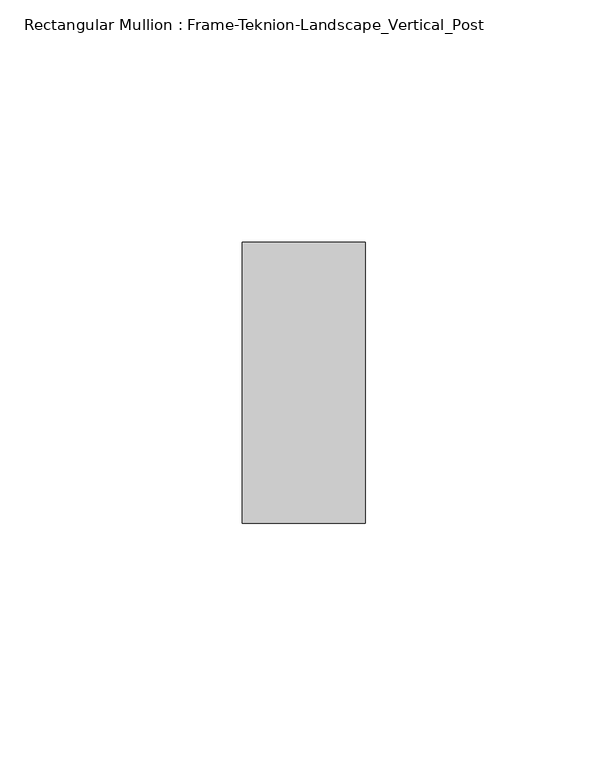
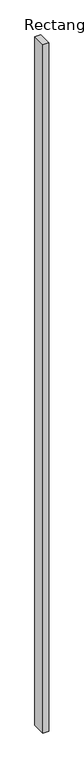
"""IFC4 building model written with IfcOpenShell, lengths in millimetres: member geometry, Rectangular Mullion : Frame-Teknion-Landscape_Vertical_Post."""

from ifc_helpers import new_model, si_unit, frame, origin, place, context, project, spatial, polyline, outline, extrude, source, transform, mapped, element, save


def rectangular_mullion_frame_teknion_landscape_vertical_post_132a33e3(model_context):
    return source(origin(), model_context, "Body", "SweptSolid", [
        extrude(outline(polyline([(-25.4, -28.971875), (-25.4, 28.971875), (0.0, 28.971875), (0.0, -28.971875), (-25.4, -28.971875)])), frame((0.0, 0.0, -3048.0), z_axis=(0.0, 0.0, 1.0), x_axis=(1.0, 0.0, 0.0)), (0.0, 0.0, 1.0), 3048.0),
    ])


if __name__ == "__main__":
    model = new_model("IFC4")
    model_context = context("Model", 3, world=origin())
    ifc_project = project(units=[si_unit("LENGTHUNIT", "METRE", prefix="MILLI")], contexts=[model_context])
    site = spatial("IfcSite", under=ifc_project)
    building = spatial("IfcBuilding", under=site)
    placement = place(None, origin())
    rectangular_mullion_frame_teknion_landscape_vertical_post_shape = rectangular_mullion_frame_teknion_landscape_vertical_post_132a33e3(model_context)
    element("IfcMember", 1, ObjectType="Rectangular Mullion : Frame-Teknion-Landscape_Vertical_Post", at=placement, inside=building, context=model_context, shape_type="MappedRepresentation", body=[
        mapped(rectangular_mullion_frame_teknion_landscape_vertical_post_shape, transform((0.0, 0.0, 0.0), x_axis=(1.0, 0.0, 0.0), y_axis=(0.0, 1.0, 0.0), z_axis=(0.0, 0.0, 1.0))),
    ])
    save(model, "model.ifc")
